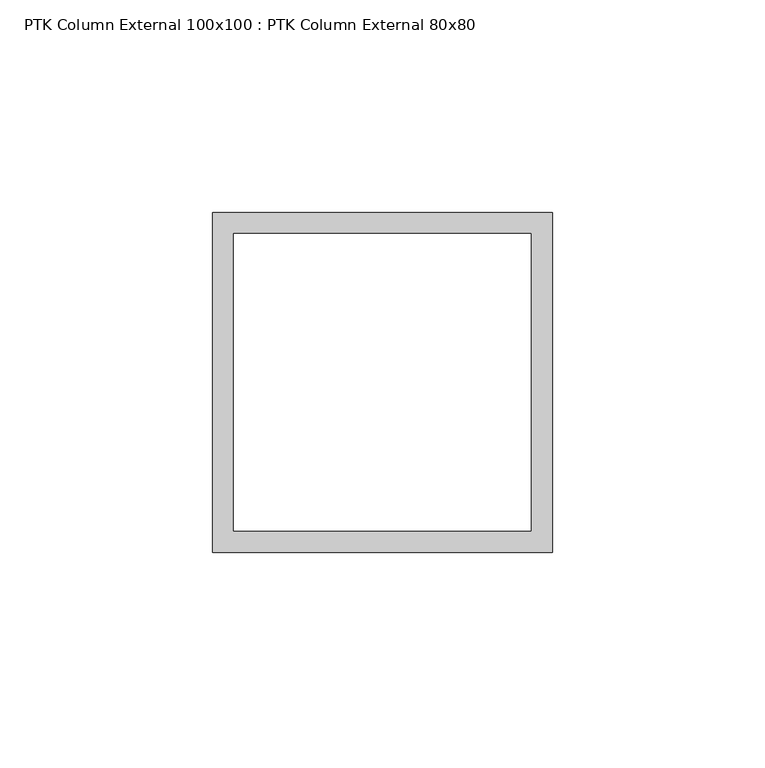
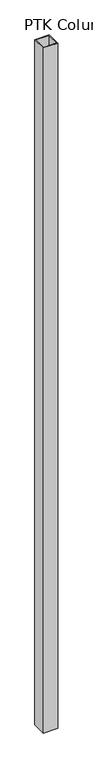
"""IFC4 building model written with IfcOpenShell, lengths in millimetres: column geometry, PTK Column External 100x100 : PTK Column External 80x80."""

from ifc_helpers import new_model, si_unit, origin, origin_with_axes, place, context, project, spatial, polyline, outline, extrude, source, transform, mapped, element, save


def ptk_column_external_100x100_ptk_column_external_80x80_ee38d289(model_context):
    return source(origin(), model_context, "Body", "SweptSolid", [
        extrude(outline(polyline([(40.0, 40.0), (40.0, -40.0), (-40.0, -40.0), (-40.0, 40.0), (40.0, 40.0)]), holes=[polyline([(35.0, 35.0), (-35.0, 35.0), (-35.0, -35.0), (35.0, -35.0), (35.0, 35.0)])]), origin_with_axes(), (0.0, 0.0, 1.0), 4018.0),
    ])


if __name__ == "__main__":
    model = new_model("IFC4")
    model_context = context("Model", 3, world=origin())
    ifc_project = project(units=[si_unit("LENGTHUNIT", "METRE", prefix="MILLI")], contexts=[model_context])
    site = spatial("IfcSite", under=ifc_project)
    building = spatial("IfcBuilding", under=site)
    placement = place(None, origin())
    ptk_column_external_100x100_ptk_column_external_80x80_shape = ptk_column_external_100x100_ptk_column_external_80x80_ee38d289(model_context)
    element("IfcColumn", 1, ObjectType="PTK Column External 100x100 : PTK Column External 80x80", at=placement, inside=building, context=model_context, shape_type="MappedRepresentation", body=[
        mapped(ptk_column_external_100x100_ptk_column_external_80x80_shape, transform((0.0, 0.0, 0.0), x_axis=(1.0, 0.0, 0.0), y_axis=(0.0, 1.0, 0.0), z_axis=(0.0, 0.0, 1.0))),
    ])
    save(model, "model.ifc")
